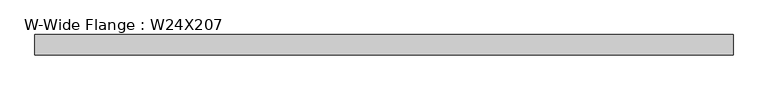
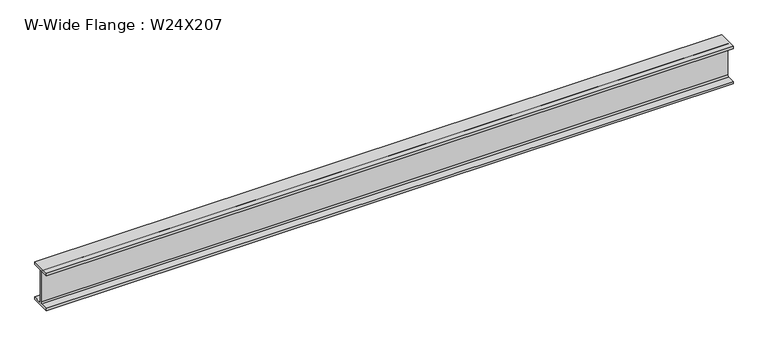
"""IFC4 building model written with IfcOpenShell, lengths in millimetres: beam geometry, W-Wide Flange : W24X207."""

import ifcopenshell
import ifcopenshell.guid

model = None  # the IFC model being written
_history = None  # IfcOwnerHistory: only IFC2X3 demands one
_inside = {}  # id of a spatial element -> (the spatial element, [elements in it])
_under = {}  # id of a project, library or spatial element -> (it, [spatial elements below it])
_declared = {}  # id of a project -> (the project, [libraries it declares])
_typed = {}  # id of a type object -> (the type object, [elements of that type])
_made_of = {}  # id of a material, layer set ... -> (it, [elements and type objects made of it])


def new_model(schema):
    """Start an empty IFC model of exactly this schema.

    Asked for "IFC4X3", IfcOpenShell would pick the latest addendum, in which some entities
    have other attributes; the version numbers below select the first issue.
    IFC2X3 requires an IfcOwnerHistory on every rooted entity: one is made here for all.
    """
    global model, _history
    if schema == "IFC4X3":
        model = ifcopenshell.file(schema_version=(4, 3, 0, 0))
    else:
        model = ifcopenshell.file(schema=schema)
    _inside.clear()
    _under.clear()
    _declared.clear()
    _typed.clear()
    _made_of.clear()
    _history = None
    if model.schema == "IFC2X3":
        org = make("IfcOrganization", Name="unknown")
        user = make(
            "IfcPersonAndOrganization",
            ThePerson=make("IfcPerson", FamilyName="unknown"),
            TheOrganization=org,
        )
        app = make(
            "IfcApplication",
            ApplicationDeveloper=org,
            Version="unknown",
            ApplicationFullName="unknown",
            ApplicationIdentifier="unknown",
        )
        _history = make(
            "IfcOwnerHistory",
            OwningUser=user,
            OwningApplication=app,
            ChangeAction="ADDED",
            CreationDate=0,
        )
    return model


def make(cls, **values):
    """One entity of the class cls with the attributes given. An attribute that is None is left unset."""
    return model.create_entity(
        cls, **{name: value for name, value in values.items() if value is not None}
    )


def rooted(cls, **values):
    """An entity with a GlobalId (a new one), such as an element, a storey or a relation."""
    return make(cls, GlobalId=ifcopenshell.guid.new(), OwnerHistory=_history, **values)


def si_unit(unit_type, name, prefix=None):
    """IfcSIUnit, for example si_unit("LENGTHUNIT", "METRE", prefix="MILLI")."""
    return make("IfcSIUnit", UnitType=unit_type, Prefix=prefix, Name=name)


def assignment(units):
    """IfcUnitAssignment: the units of a project."""
    return None if units is None else make("IfcUnitAssignment", Units=units)


def point(xyz):
    """IfcCartesianPoint."""
    return None if xyz is None else make("IfcCartesianPoint", Coordinates=xyz)


def direction(xyz):
    """IfcDirection."""
    return None if xyz is None else make("IfcDirection", DirectionRatios=xyz)


def frame(location, z_axis=None, x_axis=None):
    """IfcAxis2Placement3D, a coordinate frame: its origin and axes. An axis left out is left unset."""
    return make(
        "IfcAxis2Placement3D",
        Location=point(location),
        Axis=direction(z_axis),
        RefDirection=direction(x_axis),
    )


def frame_2d(location, x_axis=None):
    """IfcAxis2Placement2D, a coordinate frame in the plane: its origin and x axis."""
    return make(
        "IfcAxis2Placement2D", Location=point(location), RefDirection=direction(x_axis)
    )


def origin():
    """The frame at (0, 0, 0) with its axes left unset."""
    return frame((0.0, 0.0, 0.0))


def place(relative_to, where):
    """IfcLocalPlacement: puts the frame where relative to a parent placement (None: the world)."""
    return make(
        "IfcLocalPlacement", PlacementRelTo=relative_to, RelativePlacement=where
    )


def context(
    kind, dimensions, precision=None, world=None, true_north=None, identifier=None
):
    """IfcGeometricRepresentationContext, for example the 3D "Model" context."""
    return make(
        "IfcGeometricRepresentationContext",
        ContextIdentifier=identifier,
        ContextType=kind,
        CoordinateSpaceDimension=dimensions,
        Precision=precision,
        WorldCoordinateSystem=world,
        TrueNorth=true_north,
    )


def project(units=None, contexts=None):
    """IfcProject with its units and contexts."""
    return rooted(
        "IfcProject",
        Name="project",
        RepresentationContexts=contexts,
        UnitsInContext=assignment(units),
    )


def spatial(cls, under=None, at=None, **own):
    """A site, building, storey or space (cls), placed at a placement, below another one or the project."""
    s = rooted(cls, ObjectPlacement=at, **own)
    if under is not None:
        _under.setdefault(under.id(), (under, []))[1].append(s)
    return s


def polyline(points):
    """IfcPolyline through the points."""
    return make("IfcPolyline", Points=[point(p) for p in points])


def circle_curve(where, radius):
    """IfcCircle in the frame where."""
    return make("IfcCircle", Position=where, Radius=radius)


def trimmed(basis, trim1, trim2, sense, master):
    """IfcTrimmedCurve: the piece of a basis curve between two trims."""
    return make(
        "IfcTrimmedCurve",
        BasisCurve=basis,
        Trim1=trim1,
        Trim2=trim2,
        SenseAgreement=sense,
        MasterRepresentation=master,
    )


def segment(curve, same_sense, transition):
    """IfcCompositeCurveSegment."""
    return make(
        "IfcCompositeCurveSegment",
        Transition=transition,
        SameSense=same_sense,
        ParentCurve=curve,
    )


def composite_curve(segments, self_intersect=None):
    """IfcCompositeCurve: segments joined end to end."""
    return make("IfcCompositeCurve", Segments=segments, SelfIntersect=self_intersect)


def outline(outer, holes=None, kind="AREA"):
    """IfcArbitraryClosedProfileDef: a profile drawn as a closed curve; with holes, ...WithVoids."""
    if holes is None:
        return make("IfcArbitraryClosedProfileDef", ProfileType=kind, OuterCurve=outer)
    return make(
        "IfcArbitraryProfileDefWithVoids",
        ProfileType=kind,
        OuterCurve=outer,
        InnerCurves=holes,
    )


def extrude(swept, where, along, depth):
    """IfcExtrudedAreaSolid: the profile swept, set in the frame where, extruded along a direction by depth."""
    return make(
        "IfcExtrudedAreaSolid",
        SweptArea=swept,
        Position=where,
        ExtrudedDirection=direction(along),
        Depth=depth,
    )


def shape(context_of_items, identifier, shape_type, items):
    """IfcShapeRepresentation: the items that make up one representation, for example the "Body"."""
    return make(
        "IfcShapeRepresentation",
        ContextOfItems=context_of_items,
        RepresentationIdentifier=identifier,
        RepresentationType=shape_type,
        Items=items,
    )


def source(mapping_origin, context_of_items, identifier, shape_type, items):
    """IfcRepresentationMap: a shape defined once, which mapped items show again and again."""
    return make(
        "IfcRepresentationMap",
        MappingOrigin=mapping_origin,
        MappedRepresentation=shape(context_of_items, identifier, shape_type, items),
    )


def transform(
    local_origin,
    x_axis=None,
    y_axis=None,
    z_axis=None,
    scale=None,
    scale2=None,
    scale3=None,
    uniform=True,
):
    """IfcCartesianTransformationOperator3D, or its non-uniform kind. x_axis, y_axis, z_axis: its Axis1, 2, 3."""
    if uniform:
        return make(
            "IfcCartesianTransformationOperator3D",
            Axis1=direction(x_axis),
            Axis2=direction(y_axis),
            LocalOrigin=point(local_origin),
            Scale=scale,
            Axis3=direction(z_axis),
        )
    return make(
        "IfcCartesianTransformationOperator3DnonUniform",
        Axis1=direction(x_axis),
        Axis2=direction(y_axis),
        LocalOrigin=point(local_origin),
        Scale=scale,
        Axis3=direction(z_axis),
        Scale2=scale2,
        Scale3=scale3,
    )


def mapped(mapping_source, mapping_target):
    """IfcMappedItem: shows the shape of a source again, moved by a transform."""
    return make(
        "IfcMappedItem", MappingSource=mapping_source, MappingTarget=mapping_target
    )


def made_of(thing, what):
    """Note that an element or type object is made of a material, layer set ...; save() writes the relation."""
    if what is not None:
        _made_of.setdefault(what.id(), (what, []))[1].append(thing)
    return thing


def element(
    cls,
    number,
    at=None,
    inside=None,
    cuts=None,
    type_object=None,
    material=None,
    context=None,
    identifier="Body",
    shape_type=None,
    held_by="IfcProductDefinitionShape",
    body=None,
    shapes=None,
    **own,
):
    """One element of the class cls, such as IfcWall. Its Tag is "e" and its number.

    at: its placement. inside: the storey or other place that contains it. cuts: it is an
    opening in that element (IfcRelVoidsElement). A single representation is given by context,
    identifier, shape_type and body (its items); several are given by shapes. held_by: the class
    of the entity that holds the representations. save() writes the other relations.
    """
    e = rooted(cls, Tag="e%d" % number, ObjectPlacement=at, **own)
    if body is not None:
        shapes = [shape(context, identifier, shape_type, body)]
    if shapes is not None:
        e.Representation = make(held_by, Representations=shapes)
    if inside is not None:
        _inside.setdefault(inside.id(), (inside, []))[1].append(e)
    if cuts is not None:
        rooted(
            "IfcRelVoidsElement", RelatingBuildingElement=cuts, RelatedOpeningElement=e
        )
    if type_object is not None:
        _typed.setdefault(type_object.id(), (type_object, []))[1].append(e)
    return made_of(e, material)


def aggregate(whole, parts):
    """IfcRelAggregates: a whole, such as a stair, and the parts it consists of."""
    return rooted("IfcRelAggregates", RelatingObject=whole, RelatedObjects=parts)


def save(model, path):
    """Write the relations noted so far, then the file.

    IfcRelAggregates (storeys below a building ...), IfcRelContainedInSpatialStructure (elements
    in a storey), IfcRelDefinesByType, IfcRelAssociatesMaterial and IfcRelDeclares: one each for
    every whole, place, type object, material and project.
    """
    for whole, parts in _under.values():
        aggregate(whole, parts)
    for where, things in _inside.values():
        rooted(
            "IfcRelContainedInSpatialStructure",
            RelatedElements=things,
            RelatingStructure=where,
        )
    for kind, things in _typed.values():
        rooted("IfcRelDefinesByType", RelatedObjects=things, RelatingType=kind)
    for what, things in _made_of.values():
        rooted("IfcRelAssociatesMaterial", RelatedObjects=things, RelatingMaterial=what)
    for by, libraries in _declared.values():
        rooted("IfcRelDeclares", RelatingContext=by, RelatedDefinitions=libraries)
    model.write(path)


def w_wide_flange_w24x207_0c8e65a2(model_context):
    return source(origin(), model_context, "Body", "SweptSolid", [
        extrude(outline(composite_curve([segment(polyline([(165.1, -286.512), (165.1, -326.39), (-165.1, -326.39), (-165.1, -286.512), (-34.671, -286.512)]), True, "CONTINUOUS"), segment(trimmed(circle_curve(frame_2d((-34.671, -262.89)), 23.622), [point((-34.671, -286.512))], [point((-11.049, -262.89))], True, "CARTESIAN"), True, "CONTINUOUS"), segment(polyline([(-11.049, -262.89), (-11.049, 262.89)]), True, "CONTINUOUS"), segment(trimmed(circle_curve(frame_2d((-34.671, 262.89)), 23.622), [point((-11.049, 262.89))], [point((-34.671, 286.512))], True, "CARTESIAN"), True, "CONTINUOUS"), segment(polyline([(-34.671, 286.512), (-165.1, 286.512), (-165.1, 326.39), (165.1, 326.39), (165.1, 286.512), (34.671, 286.512)]), True, "CONTINUOUS"), segment(trimmed(circle_curve(frame_2d((34.671, 262.89)), 23.622), [point((34.671, 286.512))], [point((11.049, 262.89))], True, "CARTESIAN"), True, "CONTINUOUS"), segment(polyline([(11.049, 262.89), (11.049, -262.89)]), True, "CONTINUOUS"), segment(trimmed(circle_curve(frame_2d((34.671, -262.89)), 23.622), [point((11.049, -262.89))], [point((34.671, -286.512))], True, "CARTESIAN"), True, "CONTINUOUS"), segment(polyline([(34.671, -286.512), (165.1, -286.512)]), True, "CONTINUOUS")], self_intersect=False)), frame((-5623.674437, 0.0, 0.0), z_axis=(1.0, 0.0, 0.0), x_axis=(0.0, 1.0, 0.0)), (0.0, 0.0, 1.0), 11311.4216116),
    ])


if __name__ == "__main__":
    model = new_model("IFC4")
    model_context = context("Model", 3, world=origin())
    ifc_project = project(units=[si_unit("LENGTHUNIT", "METRE", prefix="MILLI")], contexts=[model_context])
    site = spatial("IfcSite", under=ifc_project)
    building = spatial("IfcBuilding", under=site)
    placement = place(None, origin())
    w_wide_flange_w24x207_shape = w_wide_flange_w24x207_0c8e65a2(model_context)
    element("IfcBeam", 1, ObjectType="W-Wide Flange : W24X207", at=placement, inside=building, context=model_context, shape_type="MappedRepresentation", body=[
        mapped(w_wide_flange_w24x207_shape, transform((0.0, 0.0, 0.0), x_axis=(1.0, 0.0, 0.0), y_axis=(0.0, 1.0, 0.0), z_axis=(0.0, 0.0, 1.0))),
    ])
    save(model, "model.ifc")
